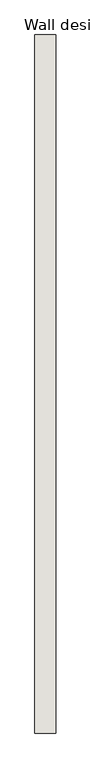
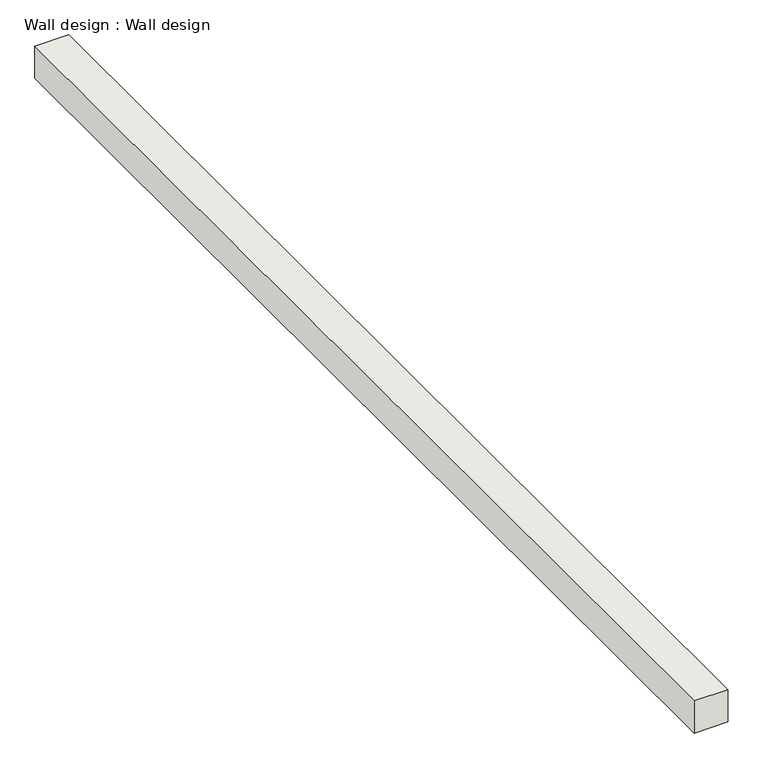
"""IFC4 building model written with IfcOpenShell, lengths in millimetres: wall geometry, Wall design : Wall design."""

from ifc_helpers import new_model, si_unit, frame, origin, place, context, project, spatial, polyline, outline, extrude, source, transform, mapped, element, save


def wall_design_wall_design_700ac8d6(model_context):
    return source(origin(), model_context, "Body", "SweptSolid", [
        extrude(outline(polyline([(14719.1409002, -6200.0114294), (14719.1409002, -10467.2114294), (14592.1409002, -10467.2114294), (14592.1409002, -6200.0114294), (14719.1409002, -6200.0114294)])), frame((0.0, 0.0, 2006.6), z_axis=(0.0, 0.0, 1.0), x_axis=(1.0, 0.0, 0.0)), (0.0, 0.0, 1.0), 127.0),
    ])


if __name__ == "__main__":
    model = new_model("IFC4")
    model_context = context("Model", 3, world=origin())
    ifc_project = project(units=[si_unit("LENGTHUNIT", "METRE", prefix="MILLI")], contexts=[model_context])
    site = spatial("IfcSite", under=ifc_project)
    building = spatial("IfcBuilding", under=site)
    placement = place(None, origin())
    wall_design_wall_design_shape = wall_design_wall_design_700ac8d6(model_context)
    element("IfcWall", 1, ObjectType="Wall design : Wall design", at=placement, inside=building, context=model_context, shape_type="MappedRepresentation", body=[
        mapped(wall_design_wall_design_shape, transform((0.0, 0.0, 0.0), x_axis=(1.0, 0.0, 0.0), y_axis=(0.0, 1.0, 0.0), z_axis=(0.0, 0.0, 1.0))),
    ])
    save(model, "model.ifc")
